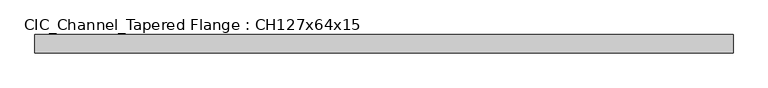
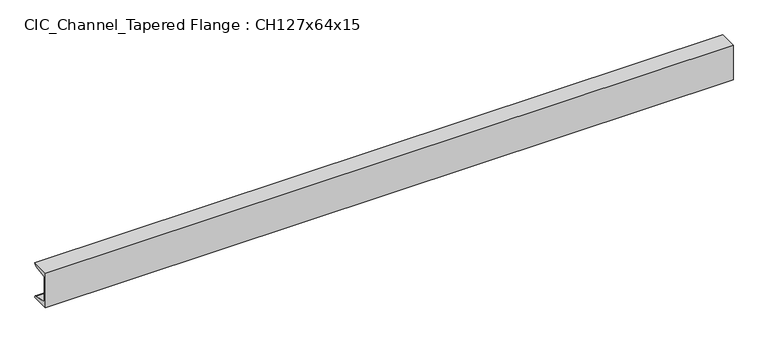
"""IFC4 building model written with IfcOpenShell, lengths in millimetres: beam geometry, CIC_Channel_Tapered Flange : CH127x64x15."""

import ifcopenshell
import ifcopenshell.guid

model = None  # the IFC model being written
_history = None  # IfcOwnerHistory: only IFC2X3 demands one
_inside = {}  # id of a spatial element -> (the spatial element, [elements in it])
_under = {}  # id of a project, library or spatial element -> (it, [spatial elements below it])
_declared = {}  # id of a project -> (the project, [libraries it declares])
_typed = {}  # id of a type object -> (the type object, [elements of that type])
_made_of = {}  # id of a material, layer set ... -> (it, [elements and type objects made of it])


def new_model(schema):
    """Start an empty IFC model of exactly this schema.

    Asked for "IFC4X3", IfcOpenShell would pick the latest addendum, in which some entities
    have other attributes; the version numbers below select the first issue.
    IFC2X3 requires an IfcOwnerHistory on every rooted entity: one is made here for all.
    """
    global model, _history
    if schema == "IFC4X3":
        model = ifcopenshell.file(schema_version=(4, 3, 0, 0))
    else:
        model = ifcopenshell.file(schema=schema)
    _inside.clear()
    _under.clear()
    _declared.clear()
    _typed.clear()
    _made_of.clear()
    _history = None
    if model.schema == "IFC2X3":
        org = make("IfcOrganization", Name="unknown")
        user = make(
            "IfcPersonAndOrganization",
            ThePerson=make("IfcPerson", FamilyName="unknown"),
            TheOrganization=org,
        )
        app = make(
            "IfcApplication",
            ApplicationDeveloper=org,
            Version="unknown",
            ApplicationFullName="unknown",
            ApplicationIdentifier="unknown",
        )
        _history = make(
            "IfcOwnerHistory",
            OwningUser=user,
            OwningApplication=app,
            ChangeAction="ADDED",
            CreationDate=0,
        )
    return model


def make(cls, **values):
    """One entity of the class cls with the attributes given. An attribute that is None is left unset."""
    return model.create_entity(
        cls, **{name: value for name, value in values.items() if value is not None}
    )


def rooted(cls, **values):
    """An entity with a GlobalId (a new one), such as an element, a storey or a relation."""
    return make(cls, GlobalId=ifcopenshell.guid.new(), OwnerHistory=_history, **values)


def si_unit(unit_type, name, prefix=None):
    """IfcSIUnit, for example si_unit("LENGTHUNIT", "METRE", prefix="MILLI")."""
    return make("IfcSIUnit", UnitType=unit_type, Prefix=prefix, Name=name)


def assignment(units):
    """IfcUnitAssignment: the units of a project."""
    return None if units is None else make("IfcUnitAssignment", Units=units)


def point(xyz):
    """IfcCartesianPoint."""
    return None if xyz is None else make("IfcCartesianPoint", Coordinates=xyz)


def direction(xyz):
    """IfcDirection."""
    return None if xyz is None else make("IfcDirection", DirectionRatios=xyz)


def frame(location, z_axis=None, x_axis=None):
    """IfcAxis2Placement3D, a coordinate frame: its origin and axes. An axis left out is left unset."""
    return make(
        "IfcAxis2Placement3D",
        Location=point(location),
        Axis=direction(z_axis),
        RefDirection=direction(x_axis),
    )


def frame_2d(location, x_axis=None):
    """IfcAxis2Placement2D, a coordinate frame in the plane: its origin and x axis."""
    return make(
        "IfcAxis2Placement2D", Location=point(location), RefDirection=direction(x_axis)
    )


def origin():
    """The frame at (0, 0, 0) with its axes left unset."""
    return frame((0.0, 0.0, 0.0))


def place(relative_to, where):
    """IfcLocalPlacement: puts the frame where relative to a parent placement (None: the world)."""
    return make(
        "IfcLocalPlacement", PlacementRelTo=relative_to, RelativePlacement=where
    )


def context(
    kind, dimensions, precision=None, world=None, true_north=None, identifier=None
):
    """IfcGeometricRepresentationContext, for example the 3D "Model" context."""
    return make(
        "IfcGeometricRepresentationContext",
        ContextIdentifier=identifier,
        ContextType=kind,
        CoordinateSpaceDimension=dimensions,
        Precision=precision,
        WorldCoordinateSystem=world,
        TrueNorth=true_north,
    )


def project(units=None, contexts=None):
    """IfcProject with its units and contexts."""
    return rooted(
        "IfcProject",
        Name="project",
        RepresentationContexts=contexts,
        UnitsInContext=assignment(units),
    )


def spatial(cls, under=None, at=None, **own):
    """A site, building, storey or space (cls), placed at a placement, below another one or the project."""
    s = rooted(cls, ObjectPlacement=at, **own)
    if under is not None:
        _under.setdefault(under.id(), (under, []))[1].append(s)
    return s


def polyline(points):
    """IfcPolyline through the points."""
    return make("IfcPolyline", Points=[point(p) for p in points])


def circle_curve(where, radius):
    """IfcCircle in the frame where."""
    return make("IfcCircle", Position=where, Radius=radius)


def trimmed(basis, trim1, trim2, sense, master):
    """IfcTrimmedCurve: the piece of a basis curve between two trims."""
    return make(
        "IfcTrimmedCurve",
        BasisCurve=basis,
        Trim1=trim1,
        Trim2=trim2,
        SenseAgreement=sense,
        MasterRepresentation=master,
    )


def segment(curve, same_sense, transition):
    """IfcCompositeCurveSegment."""
    return make(
        "IfcCompositeCurveSegment",
        Transition=transition,
        SameSense=same_sense,
        ParentCurve=curve,
    )


def composite_curve(segments, self_intersect=None):
    """IfcCompositeCurve: segments joined end to end."""
    return make("IfcCompositeCurve", Segments=segments, SelfIntersect=self_intersect)


def outline(outer, holes=None, kind="AREA"):
    """IfcArbitraryClosedProfileDef: a profile drawn as a closed curve; with holes, ...WithVoids."""
    if holes is None:
        return make("IfcArbitraryClosedProfileDef", ProfileType=kind, OuterCurve=outer)
    return make(
        "IfcArbitraryProfileDefWithVoids",
        ProfileType=kind,
        OuterCurve=outer,
        InnerCurves=holes,
    )


def extrude(swept, where, along, depth):
    """IfcExtrudedAreaSolid: the profile swept, set in the frame where, extruded along a direction by depth."""
    return make(
        "IfcExtrudedAreaSolid",
        SweptArea=swept,
        Position=where,
        ExtrudedDirection=direction(along),
        Depth=depth,
    )


def shape(context_of_items, identifier, shape_type, items):
    """IfcShapeRepresentation: the items that make up one representation, for example the "Body"."""
    return make(
        "IfcShapeRepresentation",
        ContextOfItems=context_of_items,
        RepresentationIdentifier=identifier,
        RepresentationType=shape_type,
        Items=items,
    )


def source(mapping_origin, context_of_items, identifier, shape_type, items):
    """IfcRepresentationMap: a shape defined once, which mapped items show again and again."""
    return make(
        "IfcRepresentationMap",
        MappingOrigin=mapping_origin,
        MappedRepresentation=shape(context_of_items, identifier, shape_type, items),
    )


def transform(
    local_origin,
    x_axis=None,
    y_axis=None,
    z_axis=None,
    scale=None,
    scale2=None,
    scale3=None,
    uniform=True,
):
    """IfcCartesianTransformationOperator3D, or its non-uniform kind. x_axis, y_axis, z_axis: its Axis1, 2, 3."""
    if uniform:
        return make(
            "IfcCartesianTransformationOperator3D",
            Axis1=direction(x_axis),
            Axis2=direction(y_axis),
            LocalOrigin=point(local_origin),
            Scale=scale,
            Axis3=direction(z_axis),
        )
    return make(
        "IfcCartesianTransformationOperator3DnonUniform",
        Axis1=direction(x_axis),
        Axis2=direction(y_axis),
        LocalOrigin=point(local_origin),
        Scale=scale,
        Axis3=direction(z_axis),
        Scale2=scale2,
        Scale3=scale3,
    )


def mapped(mapping_source, mapping_target):
    """IfcMappedItem: shows the shape of a source again, moved by a transform."""
    return make(
        "IfcMappedItem", MappingSource=mapping_source, MappingTarget=mapping_target
    )


def made_of(thing, what):
    """Note that an element or type object is made of a material, layer set ...; save() writes the relation."""
    if what is not None:
        _made_of.setdefault(what.id(), (what, []))[1].append(thing)
    return thing


def element(
    cls,
    number,
    at=None,
    inside=None,
    cuts=None,
    type_object=None,
    material=None,
    context=None,
    identifier="Body",
    shape_type=None,
    held_by="IfcProductDefinitionShape",
    body=None,
    shapes=None,
    **own,
):
    """One element of the class cls, such as IfcWall. Its Tag is "e" and its number.

    at: its placement. inside: the storey or other place that contains it. cuts: it is an
    opening in that element (IfcRelVoidsElement). A single representation is given by context,
    identifier, shape_type and body (its items); several are given by shapes. held_by: the class
    of the entity that holds the representations. save() writes the other relations.
    """
    e = rooted(cls, Tag="e%d" % number, ObjectPlacement=at, **own)
    if body is not None:
        shapes = [shape(context, identifier, shape_type, body)]
    if shapes is not None:
        e.Representation = make(held_by, Representations=shapes)
    if inside is not None:
        _inside.setdefault(inside.id(), (inside, []))[1].append(e)
    if cuts is not None:
        rooted(
            "IfcRelVoidsElement", RelatingBuildingElement=cuts, RelatedOpeningElement=e
        )
    if type_object is not None:
        _typed.setdefault(type_object.id(), (type_object, []))[1].append(e)
    return made_of(e, material)


def aggregate(whole, parts):
    """IfcRelAggregates: a whole, such as a stair, and the parts it consists of."""
    return rooted("IfcRelAggregates", RelatingObject=whole, RelatedObjects=parts)


def save(model, path):
    """Write the relations noted so far, then the file.

    IfcRelAggregates (storeys below a building ...), IfcRelContainedInSpatialStructure (elements
    in a storey), IfcRelDefinesByType, IfcRelAssociatesMaterial and IfcRelDeclares: one each for
    every whole, place, type object, material and project.
    """
    for whole, parts in _under.values():
        aggregate(whole, parts)
    for where, things in _inside.values():
        rooted(
            "IfcRelContainedInSpatialStructure",
            RelatedElements=things,
            RelatingStructure=where,
        )
    for kind, things in _typed.values():
        rooted("IfcRelDefinesByType", RelatedObjects=things, RelatingType=kind)
    for what, things in _made_of.values():
        rooted("IfcRelAssociatesMaterial", RelatedObjects=things, RelatingMaterial=what)
    for by, libraries in _declared.values():
        rooted("IfcRelDeclares", RelatingContext=by, RelatedDefinitions=libraries)
    model.write(path)


def cic_channel_tapered_flange_ch127x64x15_5ce0d07c(model_context):
    return source(origin(), model_context, "Body", "SweptSolid", [
        extrude(outline(composite_curve([segment(polyline([(-19.4, 63.5), (44.1, 63.5)]), True, "CONTINUOUS"), segment(trimmed(circle_curve(frame_2d((34.9, 63.5)), 9.2), [point((44.1, 63.5))], [point((34.9, 54.3))], False, "CARTESIAN"), True, "CONTINUOUS"), segment(polyline([(34.9, 54.3), (-13.0, 46.7133853), (-13.0, -46.7133853), (34.9, -54.3)]), True, "CONTINUOUS"), segment(trimmed(circle_curve(frame_2d((34.9, -63.5)), 9.2), [point((34.9, -54.3))], [point((44.1, -63.5))], False, "CARTESIAN"), True, "CONTINUOUS"), segment(polyline([(44.1, -63.5), (-19.4, -63.5), (-19.4, 63.5)]), True, "CONTINUOUS")], self_intersect=False)), frame((-1197.1, 0.0, 0.0), z_axis=(1.0, 0.0, 0.0), x_axis=(0.0, 1.0, 0.0)), (0.0, 0.0, 1.0), 2394.2),
    ])


if __name__ == "__main__":
    model = new_model("IFC4")
    model_context = context("Model", 3, world=origin())
    ifc_project = project(units=[si_unit("LENGTHUNIT", "METRE", prefix="MILLI")], contexts=[model_context])
    site = spatial("IfcSite", under=ifc_project)
    building = spatial("IfcBuilding", under=site)
    placement = place(None, origin())
    cic_channel_tapered_flange_ch127x64x15_shape = cic_channel_tapered_flange_ch127x64x15_5ce0d07c(model_context)
    element("IfcBeam", 1, ObjectType="CIC_Channel_Tapered Flange : CH127x64x15", at=placement, inside=building, context=model_context, shape_type="MappedRepresentation", body=[
        mapped(cic_channel_tapered_flange_ch127x64x15_shape, transform((0.0, 0.0, 0.0), x_axis=(1.0, 0.0, 0.0), y_axis=(0.0, 1.0, 0.0), z_axis=(0.0, 0.0, 1.0))),
    ])
    save(model, "model.ifc")
